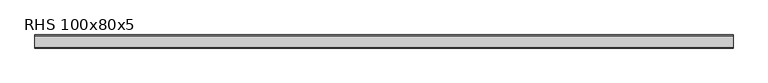
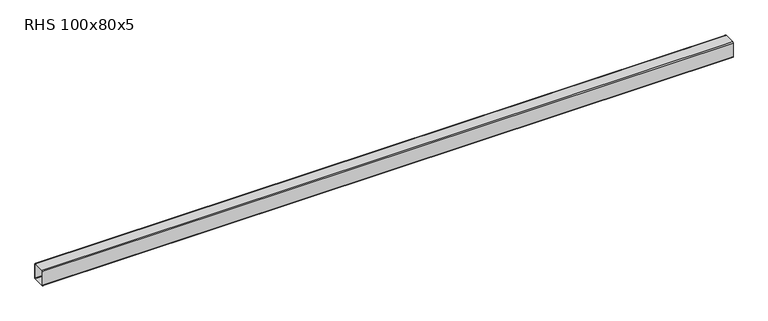
"""IFC4 building model written with IfcOpenShell, lengths in millimetres: beam geometry, RHS 100x80x5."""

from ifc_helpers import new_model, si_unit, point, frame, frame_2d, origin, place, context, project, spatial, polyline, circle_curve, trimmed, segment, composite_curve, outline, extrude, source, transform, mapped, element, save


def rhs_100x80x5_533a09d3(model_context):
    return source(origin(), model_context, "Body", "SweptSolid", [
        extrude(outline(composite_curve([segment(polyline([(40.0, 45.0), (40.0, -45.0)]), True, "CONTINUOUS"), segment(trimmed(circle_curve(frame_2d((35.0, -45.0)), 5.0), [point((40.0, -45.0))], [point((35.0, -50.0))], False, "CARTESIAN"), True, "CONTINUOUS"), segment(polyline([(35.0, -50.0), (-35.0, -50.0)]), True, "CONTINUOUS"), segment(trimmed(circle_curve(frame_2d((-35.0, -45.0)), 5.0), [point((-35.0, -50.0))], [point((-40.0, -45.0))], False, "CARTESIAN"), True, "CONTINUOUS"), segment(polyline([(-40.0, -45.0), (-40.0, 45.0)]), True, "CONTINUOUS"), segment(trimmed(circle_curve(frame_2d((-35.0, 45.0)), 5.0), [point((-40.0, 45.0))], [point((-35.0, 50.0))], False, "CARTESIAN"), True, "CONTINUOUS"), segment(polyline([(-35.0, 50.0), (35.0, 50.0)]), True, "CONTINUOUS"), segment(trimmed(circle_curve(frame_2d((35.0, 45.0)), 5.0), [point((35.0, 50.0))], [point((40.0, 45.0))], False, "CARTESIAN"), True, "CONTINUOUS")], self_intersect=False), holes=[composite_curve([segment(trimmed(circle_curve(frame_2d((-35.0, 45.0)), 2.5), [point((-35.0, 47.5))], [point((-37.5, 45.0))], True, "CARTESIAN"), True, "CONTINUOUS"), segment(polyline([(-37.5, 45.0), (-37.5, -45.0)]), True, "CONTINUOUS"), segment(trimmed(circle_curve(frame_2d((-35.0, -45.0)), 2.5), [point((-37.5, -45.0))], [point((-35.0, -47.5))], True, "CARTESIAN"), True, "CONTINUOUS"), segment(polyline([(-35.0, -47.5), (35.0, -47.5)]), True, "CONTINUOUS"), segment(trimmed(circle_curve(frame_2d((35.0, -45.0)), 2.5), [point((35.0, -47.5))], [point((37.5, -45.0))], True, "CARTESIAN"), True, "CONTINUOUS"), segment(polyline([(37.5, -45.0), (37.5, 45.0)]), True, "CONTINUOUS"), segment(trimmed(circle_curve(frame_2d((35.0, 45.0)), 2.5), [point((37.5, 45.0))], [point((35.0, 47.5))], True, "CARTESIAN"), True, "CONTINUOUS"), segment(polyline([(35.0, 47.5), (-35.0, 47.5)]), True, "CONTINUOUS")], self_intersect=False)]), frame((-2128.9359056, 0.0, 0.0), z_axis=(1.0, 0.0, 0.0), x_axis=(0.0, 1.0, 0.0)), (0.0, 0.0, 1.0), 4257.8717357),
    ])


if __name__ == "__main__":
    model = new_model("IFC4")
    model_context = context("Model", 3, world=origin())
    ifc_project = project(units=[si_unit("LENGTHUNIT", "METRE", prefix="MILLI")], contexts=[model_context])
    site = spatial("IfcSite", under=ifc_project)
    building = spatial("IfcBuilding", under=site)
    placement = place(None, origin())
    rhs_100x80x5_shape = rhs_100x80x5_533a09d3(model_context)
    element("IfcBeam", 1, ObjectType="RHS 100x80x5", at=placement, inside=building, context=model_context, shape_type="MappedRepresentation", body=[
        mapped(rhs_100x80x5_shape, transform((0.0, 0.0, 0.0), x_axis=(1.0, 0.0, 0.0), y_axis=(0.0, 1.0, 0.0), z_axis=(0.0, 0.0, 1.0))),
    ])
    save(model, "model.ifc")
